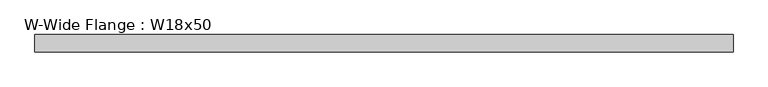
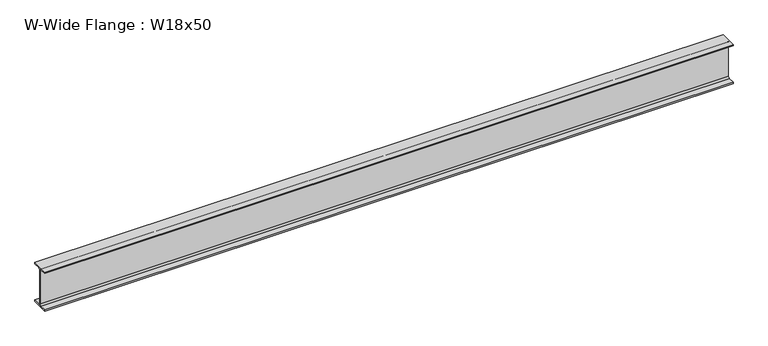
"""IFC4 building model written with IfcOpenShell, lengths in millimetres: beam geometry, W-Wide Flange : W18x50."""

from ifc_helpers import new_model, si_unit, point, frame, frame_2d, origin, place, context, project, spatial, polyline, circle_curve, trimmed, segment, composite_curve, outline, extrude, source, transform, mapped, element, save


def w_wide_flange_w18x50_85d179d7(model_context):
    return source(origin(), model_context, "Body", "SweptSolid", [
        extrude(outline(composite_curve([segment(polyline([(95.25, -214.122), (95.25, -228.6), (-95.25, -228.6), (-95.25, -214.122), (-21.7805, -214.122)]), True, "CONTINUOUS"), segment(trimmed(circle_curve(frame_2d((-21.7805, -196.85)), 17.272), [point((-21.7805, -214.122))], [point((-4.5085, -196.85))], True, "CARTESIAN"), True, "CONTINUOUS"), segment(polyline([(-4.5085, -196.85), (-4.5085, 196.85)]), True, "CONTINUOUS"), segment(trimmed(circle_curve(frame_2d((-21.7805, 196.85)), 17.272), [point((-4.5085, 196.85))], [point((-21.7805, 214.122))], True, "CARTESIAN"), True, "CONTINUOUS"), segment(polyline([(-21.7805, 214.122), (-95.25, 214.122), (-95.25, 228.6), (95.25, 228.6), (95.25, 214.122), (21.7805, 214.122)]), True, "CONTINUOUS"), segment(trimmed(circle_curve(frame_2d((21.7805, 196.85)), 17.272), [point((21.7805, 214.122))], [point((4.5085, 196.85))], True, "CARTESIAN"), True, "CONTINUOUS"), segment(polyline([(4.5085, 196.85), (4.5085, -196.85)]), True, "CONTINUOUS"), segment(trimmed(circle_curve(frame_2d((21.7805, -196.85)), 17.272), [point((4.5085, -196.85))], [point((21.7805, -214.122))], True, "CARTESIAN"), True, "CONTINUOUS"), segment(polyline([(21.7805, -214.122), (95.25, -214.122)]), True, "CONTINUOUS")], self_intersect=False)), frame((-3829.9571429, 0.0, 0.0), z_axis=(1.0, 0.0, 0.0), x_axis=(0.0, 1.0, 0.0)), (0.0, 0.0, 1.0), 7659.9142857),
    ])


if __name__ == "__main__":
    model = new_model("IFC4")
    model_context = context("Model", 3, world=origin())
    ifc_project = project(units=[si_unit("LENGTHUNIT", "METRE", prefix="MILLI")], contexts=[model_context])
    site = spatial("IfcSite", under=ifc_project)
    building = spatial("IfcBuilding", under=site)
    placement = place(None, origin())
    w_wide_flange_w18x50_shape = w_wide_flange_w18x50_85d179d7(model_context)
    element("IfcBeam", 1, ObjectType="W-Wide Flange : W18x50", at=placement, inside=building, context=model_context, shape_type="MappedRepresentation", body=[
        mapped(w_wide_flange_w18x50_shape, transform((0.0, 0.0, 0.0), x_axis=(1.0, 0.0, 0.0), y_axis=(0.0, 1.0, 0.0), z_axis=(0.0, 0.0, 1.0))),
    ])
    save(model, "model.ifc")
